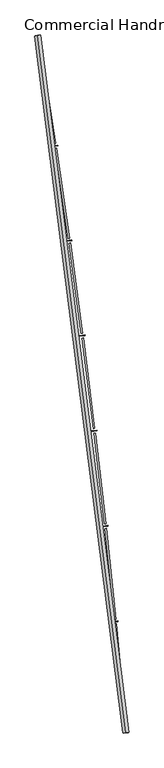
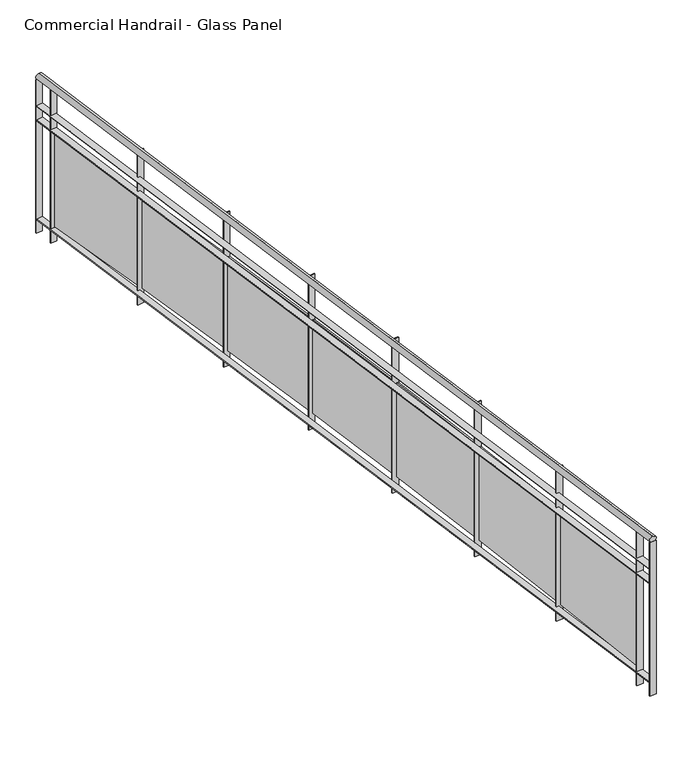
"""IFC4 building model written with IfcOpenShell, lengths in millimetres: railing geometry, Commercial Handrail - Glass Panel."""

from ifc_helpers import new_model, si_unit, point, frame, origin, place, context, project, spatial, polyline, circle_curve, ellipse_curve, trimmed, outline, extrude, source, transform, mapped, element, save
from ifc_brep_helpers import plane_surface, cylinder_surface, revolved_surface, advanced_brep


def commercial_handrail_glass_panel_a6998c93(model_context):
    return source(origin(), model_context, "Body", "SolidModel", [
        advanced_brep(
        [(182571.9295754, -52879.5364282, 6082.5), (181834.8110467, -47067.1917957, 6082.5), (181834.8110467, -47067.1917957, 6117.5), (182571.9295754, -52879.5364282, 6117.5)],
        [
            (0, 1, circle_curve(frame((104368.4569212, -59844.3474174, 6082.5), z_axis=(0.0, 0.0, 1.0), x_axis=(0.9866690945138685, 0.16273935581531185, 0.0)), 78513.0035554)),
            (1, 2, ellipse_curve(frame((181834.8110467, -47067.1917957, 6100.0), z_axis=(0.16273935581530566, -0.9866690945138697, 0.0), x_axis=(-0.9866690945138695, -0.16273935581530563, 0.0)), 25.0, 17.5)),
            (2, 3, circle_curve(frame((104368.4569212, -59844.3474174, 6117.5), z_axis=(0.0, 0.0, -1.0), x_axis=(0.9866690945138685, 0.16273935581531185, 0.0)), 78513.0035554)),
            (3, 0, ellipse_curve(frame((182571.9295754, -52879.5364282, 6100.0), z_axis=(-0.08870901218759279, 0.9960575842574072, 0.0), x_axis=(-0.996057584257407, -0.08870901218759278, 0.0)), 25.0, 17.5)),
            (2, 1, ellipse_curve(frame((181834.8110467, -47067.1917957, 6100.0), z_axis=(0.16273935581530566, -0.9866690945138697, 0.0), x_axis=(-0.9866690945138695, -0.16273935581530563, 0.0)), 25.0, 17.5)),
            (0, 3, ellipse_curve(frame((182571.9295754, -52879.5364282, 6100.0), z_axis=(-0.08870901218759279, 0.9960575842574072, 0.0), x_axis=(-0.996057584257407, -0.08870901218759278, 0.0)), 25.0, 17.5)),
        ],
        [
            revolved_surface(trimmed(ellipse_curve(frame((181834.8110467, -47067.1917957, 6100.0), z_axis=(-0.16273935581531185, 0.9866690945138685, 0.0), x_axis=(0.0, 0.0, -1.0)), 17.5, 25.0), [point((181834.8110467, -47067.1917957, 6117.5))], [point((181834.8110467, -47067.1917957, 6082.5))], True, "CARTESIAN"), (104368.4569212, -59844.3474174, 6100.0), (0.0, 0.0, -1.0)),
            revolved_surface(trimmed(ellipse_curve(frame((181834.8110467, -47067.1917957, 6100.0), z_axis=(-0.16273935581531185, 0.9866690945138685, 0.0), x_axis=(0.0, 0.0, -1.0)), 17.5, 25.0), [point((181834.8110467, -47067.1917957, 6082.5))], [point((181834.8110467, -47067.1917957, 6117.5))], True, "CARTESIAN"), (104368.4569212, -59844.3474174, 6100.0), (0.0, 0.0, -1.0)),
            plane_surface(frame((181834.8110467, -47067.1917957, 6100.0), z_axis=(-0.16273935581531188, 0.9866690945138686, 0.0), x_axis=(0.9866690945138686, 0.16273935581531188, 0.0))),
            plane_surface(frame((182571.9295754, -52879.5364282, 6100.0), z_axis=(0.08870901218759289, -0.9960575842574071, 0.0), x_axis=(0.9960575842574071, 0.08870901218759289, 0.0))),
        ],
        [
            (0, [[1, 2, 3, 4]]),
            (1, [[-3, 5, -1, 6]]),
            (2, [[-2, -5]]),
            (3, [[-6, -4]]),
        ],
    ),
        advanced_brep(
        [(182594.340871, -52877.5404754, 5900.0), (181857.0111014, -47063.5301602, 5900.0), (181812.6109921, -47070.8534312, 5900.0), (182549.5182797, -52881.5323809, 5900.0), (182594.340871, -52877.5404754, 5894.0), (181857.0111014, -47063.5301602, 5894.0), (182549.5182797, -52881.5323809, 5894.0), (181812.6109921, -47070.8534312, 5894.0)],
        [
            (0, 1, circle_curve(frame((104368.4569212, -59844.3474174, 5900.0), z_axis=(0.0, 0.0, 1.0), x_axis=(0.9866690945138685, 0.16273935581531185, 0.0)), 78535.5035554)),
            (1, 2),
            (2, 3, circle_curve(frame((104368.4569212, -59844.3474174, 5900.0), z_axis=(0.0, 0.0, -1.0), x_axis=(0.9866690945138685, 0.16273935581531185, 0.0)), 78490.5035554)),
            (3, 0),
            (4, 5, circle_curve(frame((104368.4569212, -59844.3474174, 5894.0), z_axis=(0.0, 0.0, 1.0), x_axis=(0.9866690945138685, 0.16273935581531185, 0.0)), 78535.5035554)),
            (5, 1),
            (0, 4),
            (6, 7, circle_curve(frame((104368.4569212, -59844.3474174, 5894.0), z_axis=(0.0, 0.0, 1.0), x_axis=(0.9866690945138685, 0.16273935581531185, 0.0)), 78490.5035554)),
            (7, 5),
            (4, 6),
            (2, 7),
            (6, 3),
        ],
        [
            plane_surface(frame((104368.4569212, -59844.3474174, 5900.0), z_axis=(0.0, 0.0, 1.0000000000000002), x_axis=(0.9866690945138686, 0.16273935581531188, 0.0))),
            cylinder_surface(frame((104368.4569212, -59844.3474174, 5900.0), z_axis=(0.0, 0.0, -1.0), x_axis=(0.9866690945138685, 0.16273935581531185, 0.0)), 78535.5035554),
            plane_surface(frame((104368.4569212, -59844.3474174, 5894.0), z_axis=(0.0, 0.0, -1.0000000000000002), x_axis=(0.9866690945138686, 0.16273935581531188, 0.0))),
            revolved_surface(polyline([(181812.6109921441, -47070.85343117476, 5894.0), (181812.6109921441, -47070.85343117476, 5900.0)]), (104368.4569212, -59844.3474174, 5900.0), (0.0, 0.0, -1.0)),
            plane_surface(frame((181834.8110467, -47067.1917957, 5900.0), z_axis=(-0.16273935581531188, 0.9866690945138686, 0.0), x_axis=(0.9866690945138686, 0.16273935581531188, 0.0))),
            plane_surface(frame((182571.9295754, -52879.5364282, 5900.0), z_axis=(0.08870901218759289, -0.9960575842574071, 0.0), x_axis=(0.9960575842574071, 0.08870901218759289, 0.0))),
        ],
        [
            (0, [[1, 2, 3, 4]]),
            (1, [[5, 6, -1, 7]]),
            (2, [[8, 9, -5, 10]]),
            (3, [[-3, 11, -8, 12]]),
            (4, [[-2, -6, -9, -11]]),
            (5, [[-12, -10, -7, -4]]),
        ],
    ),
        advanced_brep(
        [(182594.340871, -52877.5404754, 5800.0), (181857.0111014, -47063.5301602, 5800.0), (181812.6109921, -47070.8534312, 5800.0), (182549.5182797, -52881.5323809, 5800.0), (182594.340871, -52877.5404754, 5794.0), (181857.0111014, -47063.5301602, 5794.0), (182549.5182797, -52881.5323809, 5794.0), (181812.6109921, -47070.8534312, 5794.0)],
        [
            (0, 1, circle_curve(frame((104368.4569212, -59844.3474174, 5800.0), z_axis=(0.0, 0.0, 1.0), x_axis=(0.9866690945138685, 0.16273935581531185, 0.0)), 78535.5035554)),
            (1, 2),
            (2, 3, circle_curve(frame((104368.4569212, -59844.3474174, 5800.0), z_axis=(0.0, 0.0, -1.0), x_axis=(0.9866690945138685, 0.16273935581531185, 0.0)), 78490.5035554)),
            (3, 0),
            (4, 5, circle_curve(frame((104368.4569212, -59844.3474174, 5794.0), z_axis=(0.0, 0.0, 1.0), x_axis=(0.9866690945138685, 0.16273935581531185, 0.0)), 78535.5035554)),
            (5, 1),
            (0, 4),
            (6, 7, circle_curve(frame((104368.4569212, -59844.3474174, 5794.0), z_axis=(0.0, 0.0, 1.0), x_axis=(0.9866690945138685, 0.16273935581531185, 0.0)), 78490.5035554)),
            (7, 5),
            (4, 6),
            (2, 7),
            (6, 3),
        ],
        [
            plane_surface(frame((104368.4569212, -59844.3474174, 5800.0), z_axis=(0.0, 0.0, 1.0000000000000002), x_axis=(0.9866690945138686, 0.16273935581531188, 0.0))),
            cylinder_surface(frame((104368.4569212, -59844.3474174, 5800.0), z_axis=(0.0, 0.0, -1.0), x_axis=(0.9866690945138685, 0.16273935581531185, 0.0)), 78535.5035554),
            plane_surface(frame((104368.4569212, -59844.3474174, 5794.0), z_axis=(0.0, 0.0, -1.0000000000000002), x_axis=(0.9866690945138686, 0.16273935581531188, 0.0))),
            revolved_surface(polyline([(181812.6109921441, -47070.85343117476, 5794.0), (181812.6109921441, -47070.85343117476, 5800.0)]), (104368.4569212, -59844.3474174, 5800.0), (0.0, 0.0, -1.0)),
            plane_surface(frame((181834.8110467, -47067.1917957, 5800.0), z_axis=(-0.16273935581531188, 0.9866690945138686, 0.0), x_axis=(0.9866690945138686, 0.16273935581531188, 0.0))),
            plane_surface(frame((182571.9295754, -52879.5364282, 5800.0), z_axis=(0.08870901218759289, -0.9960575842574071, 0.0), x_axis=(0.9960575842574071, 0.08870901218759289, 0.0))),
        ],
        [
            (0, [[1, 2, 3, 4]]),
            (1, [[5, 6, -1, 7]]),
            (2, [[8, 9, -5, 10]]),
            (3, [[-3, 11, -8, 12]]),
            (4, [[-2, -6, -9, -11]]),
            (5, [[-12, -10, -7, -4]]),
        ],
    ),
        advanced_brep(
        [(182594.340871, -52877.5404754, 5100.0), (181857.0111014, -47063.5301602, 5100.0), (181812.6109921, -47070.8534312, 5100.0), (182549.5182797, -52881.5323809, 5100.0), (182594.340871, -52877.5404754, 5094.0), (181857.0111014, -47063.5301602, 5094.0), (182549.5182797, -52881.5323809, 5094.0), (181812.6109921, -47070.8534312, 5094.0)],
        [
            (0, 1, circle_curve(frame((104368.4569212, -59844.3474174, 5100.0), z_axis=(0.0, 0.0, 1.0), x_axis=(0.9866690945138685, 0.16273935581531185, 0.0)), 78535.5035554)),
            (1, 2),
            (2, 3, circle_curve(frame((104368.4569212, -59844.3474174, 5100.0), z_axis=(0.0, 0.0, -1.0), x_axis=(0.9866690945138685, 0.16273935581531185, 0.0)), 78490.5035554)),
            (3, 0),
            (4, 5, circle_curve(frame((104368.4569212, -59844.3474174, 5094.0), z_axis=(0.0, 0.0, 1.0), x_axis=(0.9866690945138685, 0.16273935581531185, 0.0)), 78535.5035554)),
            (5, 1),
            (0, 4),
            (6, 7, circle_curve(frame((104368.4569212, -59844.3474174, 5094.0), z_axis=(0.0, 0.0, 1.0), x_axis=(0.9866690945138685, 0.16273935581531185, 0.0)), 78490.5035554)),
            (7, 5),
            (4, 6),
            (2, 7),
            (6, 3),
        ],
        [
            plane_surface(frame((104368.4569212, -59844.3474174, 5100.0), z_axis=(0.0, 0.0, 1.0000000000000002), x_axis=(0.9866690945138686, 0.16273935581531188, 0.0))),
            cylinder_surface(frame((104368.4569212, -59844.3474174, 5100.0), z_axis=(0.0, 0.0, -1.0), x_axis=(0.9866690945138685, 0.16273935581531185, 0.0)), 78535.5035554),
            plane_surface(frame((104368.4569212, -59844.3474174, 5094.0), z_axis=(0.0, 0.0, -1.0000000000000002), x_axis=(0.9866690945138686, 0.16273935581531188, 0.0))),
            revolved_surface(polyline([(181812.6109921441, -47070.85343117476, 5094.0), (181812.6109921441, -47070.85343117476, 5100.0)]), (104368.4569212, -59844.3474174, 5100.0), (0.0, 0.0, -1.0)),
            plane_surface(frame((181834.8110467, -47067.1917957, 5100.0), z_axis=(-0.16273935581531188, 0.9866690945138686, 0.0), x_axis=(0.9866690945138686, 0.16273935581531188, 0.0))),
            plane_surface(frame((182571.9295754, -52879.5364282, 5100.0), z_axis=(0.08870901218759289, -0.9960575842574071, 0.0), x_axis=(0.9960575842574071, 0.08870901218759289, 0.0))),
        ],
        [
            (0, [[1, 2, 3, 4]]),
            (1, [[5, 6, -1, 7]]),
            (2, [[8, 9, -5, 10]]),
            (3, [[-3, 11, -8, 12]]),
            (4, [[-2, -6, -9, -11]]),
            (5, [[-12, -10, -7, -4]]),
        ],
    ),
        extrude(outline(polyline([(182537.5994721, -52748.9749653), (182582.4153855, -52744.9087751), (182582.9575442, -52750.8842302), (182538.1416308, -52754.9504204), (182537.5994721, -52748.9749653)])), frame((0.0, 0.0, 5000.0), z_axis=(0.0, 0.0, 1.0), x_axis=(1.0, 0.0, 0.0)), (0.0, 0.0, 1.0), 1082.1192282),
        extrude(outline(polyline([(182492.8282703, -51972.8214769), (182565.3569267, -52729.3527677), (182553.4116957, -52730.497957), (182480.8830394, -51973.9666662), (182492.8282703, -51972.8214769)])), frame((0.0, 0.0, 5120.0), z_axis=(0.0, 0.0, 1.0), x_axis=(1.0, 0.0, 0.0)), (0.0, 0.0, 1.0), 660.0),
        extrude(outline(polyline([(182461.2452987, -51952.8608143), (182506.0174543, -51948.3381961), (182506.6204701, -51954.3078168), (182461.8483144, -51958.830435), (182461.2452987, -51952.8608143)])), frame((0.0, 0.0, 5000.0), z_axis=(0.0, 0.0, 1.0), x_axis=(1.0, 0.0, 0.0)), (0.0, 0.0, 1.0), 1082.1192282),
        extrude(outline(polyline([(182408.5680235, -51177.2038007), (182488.8013774, -51932.9568086), (182476.8684352, -51934.223651), (182396.6350812, -51178.4706431), (182408.5680235, -51177.2038007)])), frame((0.0, 0.0, 5120.0), z_axis=(0.0, 0.0, 1.0), x_axis=(1.0, 0.0, 0.0)), (0.0, 0.0, 1.0), 660.0),
        extrude(outline(polyline([(182376.7833078, -51157.5659801), (182421.5070573, -51152.5874034), (182422.1708676, -51158.55057), (182377.447118, -51163.5291467), (182376.7833078, -51157.5659801)])), frame((0.0, 0.0, 5000.0), z_axis=(0.0, 0.0, 1.0), x_axis=(1.0, 0.0, 0.0)), (0.0, 0.0, 1.0), 1082.1192282),
        extrude(outline(polyline([(182316.2054283, -50382.4859723), (182404.1351498, -51137.3822327), (182392.2157352, -51138.7705968), (182304.2860136, -50383.8743363), (182316.2054283, -50382.4859723)])), frame((0.0, 0.0, 5120.0), z_axis=(0.0, 0.0, 1.0), x_axis=(1.0, 0.0, 0.0)), (0.0, 0.0, 1.0), 660.0),
        extrude(outline(polyline([(182284.2222685, -50363.1730325), (182328.8929686, -50357.7390141), (182329.6175044, -50363.6951075), (182284.9468043, -50369.1291258), (182284.2222685, -50363.1730325)])), frame((0.0, 0.0, 5000.0), z_axis=(0.0, 0.0, 1.0), x_axis=(1.0, 0.0, 0.0)), (0.0, 0.0, 1.0), 1082.1192282),
        extrude(outline(polyline([(182215.750074, -49588.7505014), (182311.3670341, -50342.711639), (182299.4623845, -50344.2213805), (182203.8454245, -49590.2602429), (182215.750074, -49588.7505014)])), frame((0.0, 0.0, 5120.0), z_axis=(0.0, 0.0, 1.0), x_axis=(1.0, 0.0, 0.0)), (0.0, 0.0, 1.0), 660.0),
        extrude(outline(polyline([(182183.5717908, -49569.7644476), (182228.1848036, -49563.8755518), (182228.9699897, -49569.8239535), (182184.3569769, -49575.7128493), (182183.5717908, -49569.7644476)])), frame((0.0, 0.0, 5000.0), z_axis=(0.0, 0.0, 1.0), x_axis=(1.0, 0.0, 0.0)), (0.0, 0.0, 1.0), 1082.1192282),
        extrude(outline(polyline([(182107.2123904, -48796.0797961), (182210.5066616, -49549.0275324), (182198.6180132, -49550.6584945), (182095.3237419, -48797.7107583), (182107.2123904, -48796.0797961)])), frame((0.0, 0.0, 5120.0), z_axis=(0.0, 0.0, 1.0), x_axis=(1.0, 0.0, 0.0)), (0.0, 0.0, 1.0), 660.0),
        extrude(outline(polyline([(182074.8423245, -48777.4225994), (182119.3930181, -48771.0794376), (182120.238773, -48777.0195301), (182075.6880794, -48783.3626919), (182074.8423245, -48777.4225994)])), frame((0.0, 0.0, 5000.0), z_axis=(0.0, 0.0, 1.0), x_axis=(1.0, 0.0, 0.0)), (0.0, 0.0, 1.0), 1082.1192282),
        extrude(outline(polyline([(181990.6036459, -48004.5561536), (182101.5645041, -48756.4123154), (182089.6930911, -48758.1643289), (181978.7322329, -48006.3081672), (181990.6036459, -48004.5561536)])), frame((0.0, 0.0, 5120.0), z_axis=(0.0, 0.0, 1.0), x_axis=(1.0, 0.0, 0.0)), (0.0, 0.0, 1.0), 660.0),
        extrude(outline(polyline([(181958.0451582, -47986.2297512), (182002.5289072, -47979.4329819), (182003.4351431, -47985.3641484), (181958.9513941, -47992.1609177), (181958.0451582, -47986.2297512)])), frame((0.0, 0.0, 5000.0), z_axis=(0.0, 0.0, 1.0), x_axis=(1.0, 0.0, 0.0)), (0.0, 0.0, 1.0), 1082.1192282),
        extrude(outline(polyline([(181865.9359474, -47214.2617523), (181984.5518723, -47964.9482797), (181972.6989271, -47966.8211627), (181854.0830022, -47216.1346353), (181865.9359474, -47214.2617523)])), frame((0.0, 0.0, 5120.0), z_axis=(0.0, 0.0, 1.0), x_axis=(1.0, 0.0, 0.0)), (0.0, 0.0, 1.0), 660.0),
        extrude(outline(polyline([(181833.1924181, -47196.2680467), (181877.6046042, -47189.0183756), (181878.571227, -47194.9400004), (181834.1590409, -47202.1896715), (181833.1924181, -47196.2680467)])), frame((0.0, 0.0, 5000.0), z_axis=(0.0, 0.0, 1.0), x_axis=(1.0, 0.0, 0.0)), (0.0, 0.0, 1.0), 1082.1192282),
        extrude(outline(polyline([(182549.2521527, -52878.5442082), (182594.074744, -52874.5523026), (182594.606998, -52880.5286481), (182549.7844067, -52884.5205537), (182549.2521527, -52878.5442082)])), frame((0.0, 0.0, 5000.0), z_axis=(0.0, 0.0, 1.0), x_axis=(1.0, 0.0, 0.0)), (0.0, 0.0, 1.0), 1082.1192282),
        extrude(outline(polyline([(181812.122774, -47067.8934239), (181856.5228833, -47060.5701529), (181857.4993194, -47066.4901675), (181813.0992102, -47073.8134385), (181812.122774, -47067.8934239)])), frame((0.0, 0.0, 5000.0), z_axis=(0.0, 0.0, 1.0), x_axis=(1.0, 0.0, 0.0)), (0.0, 0.0, 1.0), 1082.1192282),
    ])


if __name__ == "__main__":
    model = new_model("IFC4")
    model_context = context("Model", 3, world=origin())
    ifc_project = project(units=[si_unit("LENGTHUNIT", "METRE", prefix="MILLI")], contexts=[model_context])
    site = spatial("IfcSite", under=ifc_project)
    building = spatial("IfcBuilding", under=site)
    placement = place(None, origin())
    commercial_handrail_glass_panel_shape = commercial_handrail_glass_panel_a6998c93(model_context)
    element("IfcRailing", 1, ObjectType="Commercial Handrail - Glass Panel", at=placement, inside=building, context=model_context, shape_type="MappedRepresentation", body=[
        mapped(commercial_handrail_glass_panel_shape, transform((0.0, 0.0, 0.0), x_axis=(1.0, 0.0, 0.0), y_axis=(0.0, 1.0, 0.0), z_axis=(0.0, 0.0, 1.0))),
    ])
    save(model, "model.ifc")
